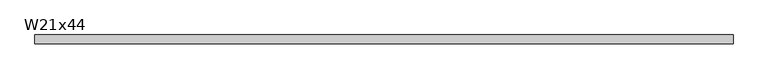
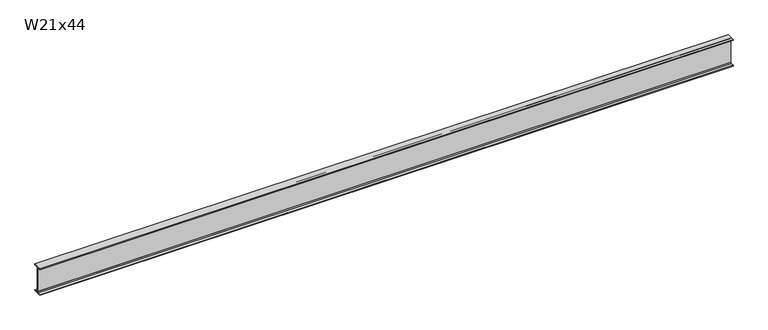
"""IFC4 building model written with IfcOpenShell, lengths in millimetres: beam geometry, W21x44."""

from ifc_helpers import new_model, si_unit, point, frame, frame_2d, origin, place, context, project, spatial, polyline, circle_curve, trimmed, segment, composite_curve, outline, extrude, source, transform, mapped, element, save


def w21x44_5eef84cd(model_context):
    return source(origin(), model_context, "Body", "SweptSolid", [
        extrude(outline(composite_curve([segment(polyline([(82.55, -251.46), (82.55, -262.89), (-82.55, -262.89), (-82.55, -251.46), (-21.59, -251.46)]), True, "CONTINUOUS"), segment(trimmed(circle_curve(frame_2d((-21.59, -234.315)), 17.145), [point((-21.59, -251.46))], [point((-4.445, -234.315))], True, "CARTESIAN"), True, "CONTINUOUS"), segment(polyline([(-4.445, -234.315), (-4.445, 234.315)]), True, "CONTINUOUS"), segment(trimmed(circle_curve(frame_2d((-21.59, 234.315)), 17.145), [point((-4.445, 234.315))], [point((-21.59, 251.46))], True, "CARTESIAN"), True, "CONTINUOUS"), segment(polyline([(-21.59, 251.46), (-82.55, 251.46), (-82.55, 262.89), (82.55, 262.89), (82.55, 251.46), (21.59, 251.46)]), True, "CONTINUOUS"), segment(trimmed(circle_curve(frame_2d((21.59, 234.315)), 17.145), [point((21.59, 251.46))], [point((4.445, 234.315))], True, "CARTESIAN"), True, "CONTINUOUS"), segment(polyline([(4.445, 234.315), (4.445, -234.315)]), True, "CONTINUOUS"), segment(trimmed(circle_curve(frame_2d((21.59, -234.315)), 17.145), [point((4.445, -234.315))], [point((21.59, -251.46))], True, "CARTESIAN"), True, "CONTINUOUS"), segment(polyline([(21.59, -251.46), (82.55, -251.46)]), True, "CONTINUOUS")], self_intersect=False)), frame((-6506.4847349, 0.0, 0.0), z_axis=(1.0, 0.0, 0.0), x_axis=(0.0, 1.0, 0.0)), (0.0, 0.0, 1.0), 13188.4229118),
    ])


if __name__ == "__main__":
    model = new_model("IFC4")
    model_context = context("Model", 3, world=origin())
    ifc_project = project(units=[si_unit("LENGTHUNIT", "METRE", prefix="MILLI")], contexts=[model_context])
    site = spatial("IfcSite", under=ifc_project)
    building = spatial("IfcBuilding", under=site)
    placement = place(None, origin())
    w21x44_shape = w21x44_5eef84cd(model_context)
    element("IfcBeam", 1, ObjectType="W21x44", at=placement, inside=building, context=model_context, shape_type="MappedRepresentation", body=[
        mapped(w21x44_shape, transform((0.0, 0.0, 0.0), x_axis=(1.0, 0.0, 0.0), y_axis=(0.0, 1.0, 0.0), z_axis=(0.0, 0.0, 1.0))),
    ])
    save(model, "model.ifc")
